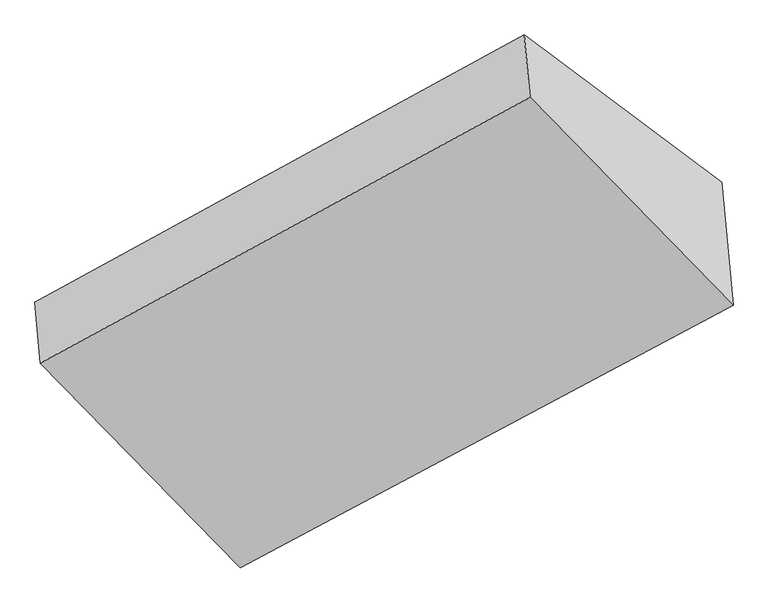
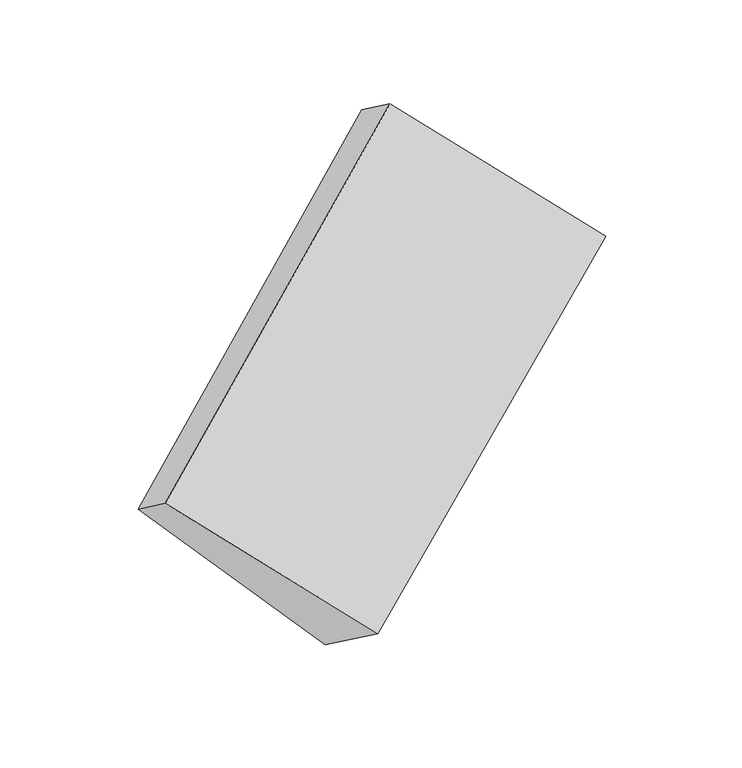
"""IFC4 building model written with IfcOpenShell, lengths in millimetres: proxy geometry."""

from ifc_helpers import new_model, si_unit, origin, place, context, project, spatial, faceted_brep, source, transform, mapped, element, save


def generic_models_f0192375(model_context):
    return source(origin(), model_context, "Body", "Brep", [
        faceted_brep([(-4230.4969051, -1666.5551376, 1519.2437735), (-4207.3426104, -1921.5019205, 1703.5004631), (-2153.8008686, -807.0370884, 2960.3341536), (-2177.6264849, -544.698533, 2770.7352372), (-3413.4642776, -2284.048946, 707.6886315), (-1348.8632809, -1163.3441792, 1940.7951301), (-3399.1497043, -2441.6635255, 821.600799), (-1332.7906955, -1340.315838, 2068.6971637), (-3368.4169133, -2780.0554436, 1066.1654643), (-1302.0579045, -1678.7077562, 2313.261829)], [[[0, 1, 2, 3]], [[4, 0, 5]], [[6, 4, 5, 7]], [[8, 6, 7, 9]], [[1, 8, 9, 2]], [[7, 5, 3, 2, 9]], [[1, 0, 4, 6, 8]], [[3, 5, 0]]]),
    ])


if __name__ == "__main__":
    model = new_model("IFC4")
    model_context = context("Model", 3, world=origin())
    ifc_project = project(units=[si_unit("LENGTHUNIT", "METRE", prefix="MILLI")], contexts=[model_context])
    site = spatial("IfcSite", under=ifc_project)
    building = spatial("IfcBuilding", under=site)
    placement = place(None, origin())
    generic_models_shape = generic_models_f0192375(model_context)
    element("IfcBuildingElementProxy", 1, Name="Generic Models", at=placement, inside=building, context=model_context, shape_type="MappedRepresentation", body=[
        mapped(generic_models_shape, transform((0.0, 0.0, 0.0), x_axis=(1.0, 0.0, 0.0), y_axis=(0.0, 1.0, 0.0), z_axis=(0.0, 0.0, 1.0))),
    ])
    save(model, "model.ifc")
